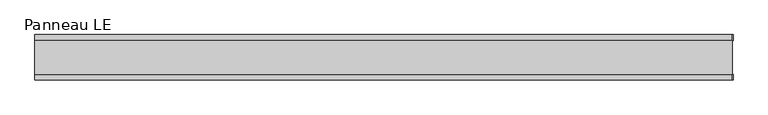
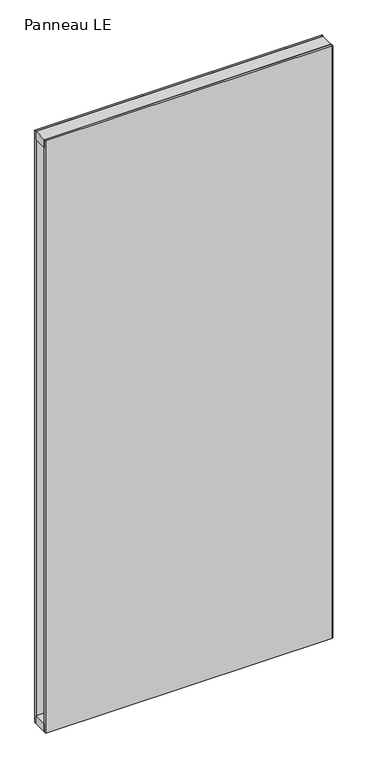
"""IFC4 building model written with IfcOpenShell, lengths in millimetres: plate geometry, Panneau LE."""

import ifcopenshell
import ifcopenshell.guid

model = None  # the IFC model being written
_history = None  # IfcOwnerHistory: only IFC2X3 demands one
_inside = {}  # id of a spatial element -> (the spatial element, [elements in it])
_under = {}  # id of a project, library or spatial element -> (it, [spatial elements below it])
_declared = {}  # id of a project -> (the project, [libraries it declares])
_typed = {}  # id of a type object -> (the type object, [elements of that type])
_made_of = {}  # id of a material, layer set ... -> (it, [elements and type objects made of it])


def new_model(schema):
    """Start an empty IFC model of exactly this schema.

    Asked for "IFC4X3", IfcOpenShell would pick the latest addendum, in which some entities
    have other attributes; the version numbers below select the first issue.
    IFC2X3 requires an IfcOwnerHistory on every rooted entity: one is made here for all.
    """
    global model, _history
    if schema == "IFC4X3":
        model = ifcopenshell.file(schema_version=(4, 3, 0, 0))
    else:
        model = ifcopenshell.file(schema=schema)
    _inside.clear()
    _under.clear()
    _declared.clear()
    _typed.clear()
    _made_of.clear()
    _history = None
    if model.schema == "IFC2X3":
        org = make("IfcOrganization", Name="unknown")
        user = make(
            "IfcPersonAndOrganization",
            ThePerson=make("IfcPerson", FamilyName="unknown"),
            TheOrganization=org,
        )
        app = make(
            "IfcApplication",
            ApplicationDeveloper=org,
            Version="unknown",
            ApplicationFullName="unknown",
            ApplicationIdentifier="unknown",
        )
        _history = make(
            "IfcOwnerHistory",
            OwningUser=user,
            OwningApplication=app,
            ChangeAction="ADDED",
            CreationDate=0,
        )
    return model


def make(cls, **values):
    """One entity of the class cls with the attributes given. An attribute that is None is left unset."""
    return model.create_entity(
        cls, **{name: value for name, value in values.items() if value is not None}
    )


def rooted(cls, **values):
    """An entity with a GlobalId (a new one), such as an element, a storey or a relation."""
    return make(cls, GlobalId=ifcopenshell.guid.new(), OwnerHistory=_history, **values)


def si_unit(unit_type, name, prefix=None):
    """IfcSIUnit, for example si_unit("LENGTHUNIT", "METRE", prefix="MILLI")."""
    return make("IfcSIUnit", UnitType=unit_type, Prefix=prefix, Name=name)


def assignment(units):
    """IfcUnitAssignment: the units of a project."""
    return None if units is None else make("IfcUnitAssignment", Units=units)


def point(xyz):
    """IfcCartesianPoint."""
    return None if xyz is None else make("IfcCartesianPoint", Coordinates=xyz)


def direction(xyz):
    """IfcDirection."""
    return None if xyz is None else make("IfcDirection", DirectionRatios=xyz)


def frame(location, z_axis=None, x_axis=None):
    """IfcAxis2Placement3D, a coordinate frame: its origin and axes. An axis left out is left unset."""
    return make(
        "IfcAxis2Placement3D",
        Location=point(location),
        Axis=direction(z_axis),
        RefDirection=direction(x_axis),
    )


def origin():
    """The frame at (0, 0, 0) with its axes left unset."""
    return frame((0.0, 0.0, 0.0))


def origin_with_axes():
    """The frame at (0, 0, 0) with the z axis (0, 0, 1) and the x axis (1, 0, 0) written out."""
    return frame((0.0, 0.0, 0.0), z_axis=(0.0, 0.0, 1.0), x_axis=(1.0, 0.0, 0.0))


def place(relative_to, where):
    """IfcLocalPlacement: puts the frame where relative to a parent placement (None: the world)."""
    return make(
        "IfcLocalPlacement", PlacementRelTo=relative_to, RelativePlacement=where
    )


def context(
    kind, dimensions, precision=None, world=None, true_north=None, identifier=None
):
    """IfcGeometricRepresentationContext, for example the 3D "Model" context."""
    return make(
        "IfcGeometricRepresentationContext",
        ContextIdentifier=identifier,
        ContextType=kind,
        CoordinateSpaceDimension=dimensions,
        Precision=precision,
        WorldCoordinateSystem=world,
        TrueNorth=true_north,
    )


def project(units=None, contexts=None):
    """IfcProject with its units and contexts."""
    return rooted(
        "IfcProject",
        Name="project",
        RepresentationContexts=contexts,
        UnitsInContext=assignment(units),
    )


def spatial(cls, under=None, at=None, **own):
    """A site, building, storey or space (cls), placed at a placement, below another one or the project."""
    s = rooted(cls, ObjectPlacement=at, **own)
    if under is not None:
        _under.setdefault(under.id(), (under, []))[1].append(s)
    return s


def polyline(points):
    """IfcPolyline through the points."""
    return make("IfcPolyline", Points=[point(p) for p in points])


def outline(outer, holes=None, kind="AREA"):
    """IfcArbitraryClosedProfileDef: a profile drawn as a closed curve; with holes, ...WithVoids."""
    if holes is None:
        return make("IfcArbitraryClosedProfileDef", ProfileType=kind, OuterCurve=outer)
    return make(
        "IfcArbitraryProfileDefWithVoids",
        ProfileType=kind,
        OuterCurve=outer,
        InnerCurves=holes,
    )


def extrude(swept, where, along, depth):
    """IfcExtrudedAreaSolid: the profile swept, set in the frame where, extruded along a direction by depth."""
    return make(
        "IfcExtrudedAreaSolid",
        SweptArea=swept,
        Position=where,
        ExtrudedDirection=direction(along),
        Depth=depth,
    )


def shape(context_of_items, identifier, shape_type, items):
    """IfcShapeRepresentation: the items that make up one representation, for example the "Body"."""
    return make(
        "IfcShapeRepresentation",
        ContextOfItems=context_of_items,
        RepresentationIdentifier=identifier,
        RepresentationType=shape_type,
        Items=items,
    )


def source(mapping_origin, context_of_items, identifier, shape_type, items):
    """IfcRepresentationMap: a shape defined once, which mapped items show again and again."""
    return make(
        "IfcRepresentationMap",
        MappingOrigin=mapping_origin,
        MappedRepresentation=shape(context_of_items, identifier, shape_type, items),
    )


def transform(
    local_origin,
    x_axis=None,
    y_axis=None,
    z_axis=None,
    scale=None,
    scale2=None,
    scale3=None,
    uniform=True,
):
    """IfcCartesianTransformationOperator3D, or its non-uniform kind. x_axis, y_axis, z_axis: its Axis1, 2, 3."""
    if uniform:
        return make(
            "IfcCartesianTransformationOperator3D",
            Axis1=direction(x_axis),
            Axis2=direction(y_axis),
            LocalOrigin=point(local_origin),
            Scale=scale,
            Axis3=direction(z_axis),
        )
    return make(
        "IfcCartesianTransformationOperator3DnonUniform",
        Axis1=direction(x_axis),
        Axis2=direction(y_axis),
        LocalOrigin=point(local_origin),
        Scale=scale,
        Axis3=direction(z_axis),
        Scale2=scale2,
        Scale3=scale3,
    )


def mapped(mapping_source, mapping_target):
    """IfcMappedItem: shows the shape of a source again, moved by a transform."""
    return make(
        "IfcMappedItem", MappingSource=mapping_source, MappingTarget=mapping_target
    )


def made_of(thing, what):
    """Note that an element or type object is made of a material, layer set ...; save() writes the relation."""
    if what is not None:
        _made_of.setdefault(what.id(), (what, []))[1].append(thing)
    return thing


def element(
    cls,
    number,
    at=None,
    inside=None,
    cuts=None,
    type_object=None,
    material=None,
    context=None,
    identifier="Body",
    shape_type=None,
    held_by="IfcProductDefinitionShape",
    body=None,
    shapes=None,
    **own,
):
    """One element of the class cls, such as IfcWall. Its Tag is "e" and its number.

    at: its placement. inside: the storey or other place that contains it. cuts: it is an
    opening in that element (IfcRelVoidsElement). A single representation is given by context,
    identifier, shape_type and body (its items); several are given by shapes. held_by: the class
    of the entity that holds the representations. save() writes the other relations.
    """
    e = rooted(cls, Tag="e%d" % number, ObjectPlacement=at, **own)
    if body is not None:
        shapes = [shape(context, identifier, shape_type, body)]
    if shapes is not None:
        e.Representation = make(held_by, Representations=shapes)
    if inside is not None:
        _inside.setdefault(inside.id(), (inside, []))[1].append(e)
    if cuts is not None:
        rooted(
            "IfcRelVoidsElement", RelatingBuildingElement=cuts, RelatedOpeningElement=e
        )
    if type_object is not None:
        _typed.setdefault(type_object.id(), (type_object, []))[1].append(e)
    return made_of(e, material)


def aggregate(whole, parts):
    """IfcRelAggregates: a whole, such as a stair, and the parts it consists of."""
    return rooted("IfcRelAggregates", RelatingObject=whole, RelatedObjects=parts)


def save(model, path):
    """Write the relations noted so far, then the file.

    IfcRelAggregates (storeys below a building ...), IfcRelContainedInSpatialStructure (elements
    in a storey), IfcRelDefinesByType, IfcRelAssociatesMaterial and IfcRelDeclares: one each for
    every whole, place, type object, material and project.
    """
    for whole, parts in _under.values():
        aggregate(whole, parts)
    for where, things in _inside.values():
        rooted(
            "IfcRelContainedInSpatialStructure",
            RelatedElements=things,
            RelatingStructure=where,
        )
    for kind, things in _typed.values():
        rooted("IfcRelDefinesByType", RelatedObjects=things, RelatingType=kind)
    for what, things in _made_of.values():
        rooted("IfcRelAssociatesMaterial", RelatedObjects=things, RelatingMaterial=what)
    for by, libraries in _declared.values():
        rooted("IfcRelDeclares", RelatingContext=by, RelatedDefinitions=libraries)
    model.write(path)


def panneau_le_85cd258a(model_context):
    return source(origin(), model_context, "Body", "SweptSolid", [
        extrude(outline(polyline([(674.3333333, 43.8), (674.3333333, 33.0), (672.3333333, 33.0), (672.3333333, 43.8), (674.3333333, 43.8)])), origin_with_axes(), (0.0, 0.0, 1.0), 2933.0),
        extrude(outline(polyline([(674.3333333, -33.0), (674.3333333, -43.8), (672.3333333, -43.8), (672.3333333, -33.0), (674.3333333, -33.0)])), origin_with_axes(), (0.0, 0.0, 1.0), 2933.0),
        extrude(outline(polyline([(672.3333333, -33.0), (-672.3333333, -33.0), (-672.3333333, 33.0), (672.3333333, 33.0), (672.3333333, -33.0)])), frame((0.0, 0.0, 2893.0), z_axis=(0.0, 0.0, 1.0), x_axis=(1.0, 0.0, 0.0)), (0.0, 0.0, 1.0), 40.0),
        extrude(outline(polyline([(672.3333333, -33.0), (-672.3333333, -33.0), (-672.3333333, 33.0), (672.3333333, 33.0), (672.3333333, -33.0)])), origin_with_axes(), (0.0, 0.0, 1.0), 40.0),
        extrude(outline(polyline([(672.3333333, 33.0), (-672.3333333, 33.0), (-672.3333333, 43.8), (672.3333333, 43.8), (672.3333333, 33.0)])), origin_with_axes(), (0.0, 0.0, 1.0), 2933.0),
        extrude(outline(polyline([(-672.3333333, -43.8), (-672.3333333, -33.0), (672.3333333, -33.0), (672.3333333, -43.8), (-672.3333333, -43.8)])), origin_with_axes(), (0.0, 0.0, 1.0), 2933.0),
    ])


if __name__ == "__main__":
    model = new_model("IFC4")
    model_context = context("Model", 3, world=origin())
    ifc_project = project(units=[si_unit("LENGTHUNIT", "METRE", prefix="MILLI")], contexts=[model_context])
    site = spatial("IfcSite", under=ifc_project)
    building = spatial("IfcBuilding", under=site)
    placement = place(None, origin())
    panneau_le_shape = panneau_le_85cd258a(model_context)
    element("IfcPlate", 1, ObjectType="Panneau LE", at=placement, inside=building, context=model_context, shape_type="MappedRepresentation", body=[
        mapped(panneau_le_shape, transform((0.0, 0.0, 0.0), x_axis=(1.0, 0.0, 0.0), y_axis=(0.0, 1.0, 0.0), z_axis=(0.0, 0.0, 1.0))),
    ])
    save(model, "model.ifc")
